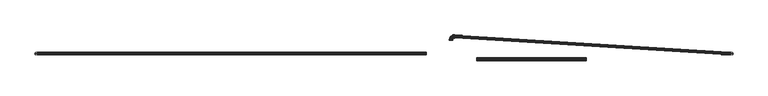
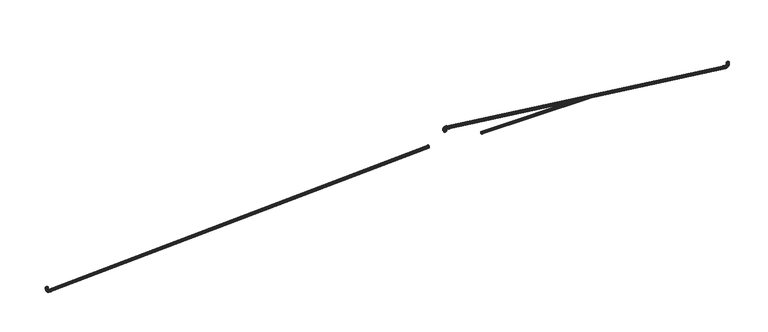
"""IFC4 building model written with IfcOpenShell, lengths in millimetres: furniture geometry."""

from ifc_helpers import new_model, si_unit, origin, place, context, project, spatial, triangles, source, transform, mapped, element, save


def furniture_5d9157ea(model_context):
    return source(origin(), model_context, "Body", "Tessellation", [
        triangles([(301.0177454, -21.7909482, -42.3306057), (301.0197075, -21.4893269, -43.8469512), (632.0744276, -21.4893269, -43.8344656), (632.0752996, -21.7909482, -42.3183154), (301.0213789, -20.6303882, -45.1324423), (632.0741369, -20.6303882, -45.1197977), (301.0224871, -19.3448925, -45.9913833), (632.0742823, -19.3448925, -45.9786252), (301.0228868, -17.828547, -46.2930046), (632.075445, -17.828547, -46.2802056), (301.0224871, -16.3122027, -45.9913833), (632.0742823, -16.3122027, -45.9786252), (301.0213789, -15.026707, -45.1324423), (632.0741369, -15.026707, -45.1197977), (301.0197075, -14.1677671, -43.8469512), (632.0744276, -14.1677671, -43.8344656), (301.0177454, -13.8661469, -42.3306057), (632.0752996, -13.8661469, -42.3183154), (301.0157833, -14.1677671, -40.8142647), (632.075663, -14.1677671, -40.8021652), (301.0141119, -15.026707, -39.5287691), (632.0768984, -15.026707, -39.5168376), (301.0129855, -16.3122027, -38.669828), (632.075227, -16.3122027, -38.6580055), (301.012604, -17.828547, -38.3682113), (632.075227, -17.828547, -38.3564251), (301.0129855, -19.3448925, -38.669828), (632.075227, -19.3448925, -38.6580055), (301.0141119, -20.6303882, -39.5287691), (632.0768984, -20.6303882, -39.5168376), (301.0157833, -21.4893269, -40.8142647), (632.075663, -21.4893269, -40.8021652), (148.6147114, 3.153083, -43.8434085), (148.6127403, 2.8514631, -45.3597495), (-1019.2878565, 2.8514631, -106.4454649), (-1019.1365576, 3.153083, -104.9293147), (148.6110779, 1.9925228, -46.6452451), (-1019.416119, 1.9925228, -107.7307971), (148.6099606, 0.7070277, -47.5041816), (-1019.5018696, 0.7070277, -108.5896291), (148.60957, -0.8093172, -47.8058029), (-1019.531955, -0.8093172, -108.8912095), (148.6099606, -2.325662, -47.5041816), (-1019.5018696, -2.325662, -108.5896291), (148.6110779, -3.6111571, -46.6452451), (-1019.416119, -3.6111571, -107.7307971), (148.6127403, -4.4700973, -45.3597495), (-1019.2878565, -4.4700973, -106.4454649), (148.6147114, -4.7717172, -43.8434085), (-1019.1365576, -4.7717172, -104.9293147), (148.6166735, -4.4700973, -42.327063), (-1018.9852587, -4.4700973, -103.4131645), (148.6183449, -3.6111571, -41.0415674), (-1018.8569235, -3.6111571, -102.1278414), (148.6194622, -2.325662, -40.1826309), (-1018.7712456, -2.325662, -101.2690094), (148.6198528, -0.8093172, -39.8810096), (-1018.7411602, -0.8093172, -100.967429), (148.6194622, 0.7070277, -40.1826309), (-1018.7712456, 0.7070277, -101.2690094), (148.6183449, 1.9925228, -41.0415674), (-1018.8569235, 1.9925228, -102.1278414), (148.6166735, 2.8514631, -42.327063), (-1018.9852587, 2.8514631, -103.4131645), (-1022.8882908, 2.8514631, -105.7244424), (-1022.294795, 3.153083, -104.2968406), (-1023.3913851, 1.9925228, -106.9346974), (-1023.7276291, 0.7070277, -107.743369), (-1023.8456451, -0.8093172, -108.027336), (-1023.7276291, -2.325662, -107.743369), (-1023.3913851, -3.6111571, -106.9346974), (-1022.8882908, -4.4700973, -105.7244424), (-1022.294795, -4.7717172, -104.2968406), (-1021.7012993, -4.4700973, -102.8692479), (-1021.1981323, -3.6111571, -101.6589929), (-1020.861961, -2.325662, -100.8503213), (-1020.7438723, -0.8093172, -100.5663543), (-1020.861961, 0.7070277, -100.8503213), (-1021.1981323, 1.9925228, -101.6589929), (-1021.7012993, 2.8514631, -102.8692479), (-1026.0652044, 2.8514631, -103.5957115), (-1024.9705765, 3.153083, -102.5039086), (-1026.9932001, 1.9925228, -104.5213), (-1027.6132931, 0.7070277, -105.1397579), (-1027.8310123, -0.8093172, -105.3569321), (-1027.6132931, -2.325662, -105.1397579), (-1026.9932001, -3.6111571, -104.5213), (-1026.0652044, -4.4700973, -103.5957115), (-1024.9705765, -4.7717172, -102.5039086), (-1023.8759485, -4.4700973, -101.4121057), (-1022.9479528, -3.6111571, -100.4865172), (-1022.3278599, -2.325662, -99.8680593), (-1022.1101406, -0.8093172, -99.6508851), (-1022.3278599, 0.7070277, -99.8680593), (-1022.9479528, 1.9925228, -100.4865172), (-1023.8759485, 2.8514631, -101.4121057), (-1028.1857145, 2.8514631, -100.413275), (-1026.756514, 3.153083, -99.8234763), (-1029.3972685, 1.9925228, -100.9132717), (-1030.2068121, 0.7070277, -101.2473719), (-1030.4910244, -0.8093172, -101.3646885), (-1030.2068121, -2.325662, -101.2473719), (-1029.3972685, -3.6111571, -100.9132717), (-1028.1857145, -4.4700973, -100.413275), (-1026.756514, -4.7717172, -99.8234763), (-1025.3273861, -4.4700973, -99.2336867), (-1024.1158321, -3.6111571, -98.7336809), (-1023.3062885, -2.325662, -98.3995897), (-1023.0220762, -0.8093172, -98.2822731), (-1023.3062885, 0.7070277, -98.3995897), (-1024.1158321, 1.9925228, -98.7336809), (-1025.3273861, 2.8514631, -99.2336867), (-1028.8973717, 2.8514631, -96.8109967), (-1027.3808218, 3.153083, -96.6636128), (-1030.183049, 1.9925228, -96.9359345), (-1031.0420809, 0.7070277, -97.0194142), (-1031.343734, -0.8093172, -97.0487365), (-1031.0420809, -2.325662, -97.0194142), (-1030.183049, -3.6111571, -96.9359345), (-1028.8973717, -4.4700973, -96.8109967), (-1027.3808218, -4.7717172, -96.6636128), (-1025.8642719, -4.4700973, -96.5162381), (-1024.5785946, -3.6111571, -96.3912912), (-1023.7195627, -2.325662, -96.3078115), (-1023.4179096, -0.8093172, -96.2784892), (-1023.7195627, 0.7070277, -96.3078115), (-1024.5785946, 1.9925228, -96.3912912), (-1025.8642719, 2.8514631, -96.5162381), (-1028.8749166, 2.8514631, -91.7647022), (-1027.3585848, 3.153083, -91.7666734), (-1030.1604486, 1.9925228, -91.7630399), (-1031.0193352, 0.7070277, -91.7619226), (-1031.3209883, -0.8093172, -91.761532), (-1031.0193352, -2.325662, -91.7619226), (-1030.1604486, -3.6111571, -91.7630399), (-1028.8749166, -4.4700973, -91.7647022), (-1027.3585848, -4.7717172, -91.7666734), (-1025.8422529, -4.4700973, -91.7686355), (-1024.5567209, -3.6111571, -91.7703069), (-1023.6978344, -2.325662, -91.7714242), (-1023.3961813, -0.8093172, -91.7718148), (-1023.6978344, 0.7070277, -91.7714242), (-1024.5567209, 1.9925228, -91.7703069), (-1025.8422529, 2.8514631, -91.7686355), (235.3589988, 46.7389531, -43.4736046), (235.3609609, 47.0405744, -44.9899501), (1062.3566666, -4.4700973, -106.4454649), (1062.2053677, -4.7717172, -104.9293147), (235.3626323, 47.8995154, -46.2754457), (1062.4850018, -3.6111571, -107.7307971), (235.3637405, 49.1850111, -47.1343822), (1062.5706797, -2.325662, -108.5896291), (235.3641402, 50.7013566, -47.4360035), (1062.600765, -0.8093172, -108.8912095), (235.3637405, 52.217702, -47.1343822), (1062.5706797, 0.7070277, -108.5896291), (235.3626323, 53.5031932, -46.2754457), (1062.4850018, 1.9925228, -107.7307971), (235.3609609, 54.3621342, -44.9899501), (1062.3566666, 2.8514631, -106.4454649), (235.3589988, 54.6637555, -43.4736046), (1062.2053677, 3.153083, -104.9293147), (235.3570367, 54.3621342, -41.9572636), (1062.0540688, 2.8514631, -103.4131645), (235.3553653, 53.5031932, -40.671768), (1061.9258062, 1.9925228, -102.1278414), (235.3542571, 52.217702, -39.8128315), (1061.8400557, 0.7070277, -101.2690094), (235.3538574, 50.7013566, -39.5112102), (1061.8099703, -0.8093172, -100.967429), (235.3542571, 49.1850111, -39.8128315), (1061.8400557, -2.325662, -101.2690094), (235.3553653, 47.8995154, -40.671768), (1061.9258062, -3.6111571, -102.1278414), (235.3570367, 47.0405744, -41.9572636), (1062.0540688, -4.4700973, -103.4131645), (1065.9571009, -4.4700973, -105.7244424), (1065.3636051, -4.7717172, -104.2968406), (1066.4602678, -3.6111571, -106.9346974), (1066.7964392, -2.325662, -107.743369), (1066.9145279, -0.8093172, -108.027336), (1066.7964392, 0.7070277, -107.743369), (1066.4602678, 1.9925228, -106.9346974), (1065.9571009, 2.8514631, -105.7244424), (1065.3636051, 3.153083, -104.2968406), (1064.7701094, 2.8514631, -102.8692479), (1064.2669424, 1.9925228, -101.6589929), (1063.9307711, 0.7070277, -100.8503213), (1063.812755, -0.8093172, -100.5663543), (1063.9307711, -2.325662, -100.8503213), (1064.2669424, -3.6111571, -101.6589929), (1064.7701094, -4.4700973, -102.8692479), (1069.1340145, -4.4700973, -103.5957115), (1068.0393866, -4.7717172, -102.5039086), (1070.0620102, -3.6111571, -104.5213), (1070.6821032, -2.325662, -105.1397579), (1070.8998224, -0.8093172, -105.3569321), (1070.6821032, 0.7070277, -105.1397579), (1070.0620102, 1.9925228, -104.5213), (1069.1340145, 2.8514631, -103.5957115), (1068.0393866, 3.153083, -102.5039086), (1066.9447586, 2.8514631, -101.4121057), (1066.0167629, 1.9925228, -100.4865172), (1065.3967426, 0.7070277, -99.8680593), (1065.1789507, -0.8093172, -99.6508851), (1065.3967426, -2.325662, -99.8680593), (1066.0167629, -3.6111571, -100.4865172), (1066.9447586, -4.4700973, -101.4121057), (1071.2545246, -4.4700973, -100.413275), (1069.8253967, -4.7717172, -99.8234763), (1072.4660786, -3.6111571, -100.9132717), (1073.2756222, -2.325662, -101.2473719), (1073.5599072, -0.8093172, -101.3646885), (1073.2756222, 0.7070277, -101.2473719), (1072.4660786, 1.9925228, -100.9132717), (1071.2545246, 2.8514631, -100.413275), (1069.8253967, 3.153083, -99.8234763), (1068.3962688, 2.8514631, -99.2336867), (1067.1847149, 1.9925228, -98.7336809), (1066.3751713, 0.7070277, -98.3995897), (1066.0908863, -0.8093172, -98.2822731), (1066.3751713, -2.325662, -98.3995897), (1067.1847149, -3.6111571, -98.7336809), (1068.3962688, -4.4700973, -99.2336867), (1071.9661818, -4.4700973, -96.8109967), (1070.4496319, -4.7717172, -96.6636128), (1073.2518591, -3.6111571, -96.9359345), (1074.110891, -2.325662, -97.0194142), (1074.4125441, -0.8093172, -97.0487365), (1074.110891, 0.7070277, -97.0194142), (1073.2518591, 1.9925228, -96.9359345), (1071.9661818, 2.8514631, -96.8109967), (1070.4496319, 3.153083, -96.6636128), (1068.9331547, 2.8514631, -96.5162381), (1067.6474773, 1.9925228, -96.3912912), (1066.7884455, 0.7070277, -96.3078115), (1066.4867924, -0.8093172, -96.2784892), (1066.7884455, -2.325662, -96.3078115), (1067.6474773, -3.6111571, -96.3912912), (1068.9331547, -4.4700973, -96.5162381), (1071.9437994, -4.4700973, -91.7647022), (1070.4273949, -4.7717172, -91.7666734), (1073.2292587, -3.6111571, -91.7630399), (1074.0882179, -2.325662, -91.7619226), (1074.3897984, -0.8093172, -91.761532), (1074.0882179, 0.7070277, -91.7619226), (1073.2292587, 1.9925228, -91.7630399), (1071.9437994, 2.8514631, -91.7647022), (1070.4273949, 3.153083, -91.7666734), (1068.911063, 2.8514631, -91.7686355), (1067.6256037, 1.9925228, -91.7703069), (1066.7666445, 0.7070277, -91.7714242), (1066.4649914, -0.8093172, -91.7718148), (1066.7666445, -2.325662, -91.7714242), (1067.6256037, -3.6111571, -91.7703069), (1068.911063, -4.4700973, -91.7686355), (235.408378, 50.9446965, -38.7889296), (235.4060163, 52.7643075, -39.1508761), (233.1926521, 52.7493284, -39.1508761), (233.374218, 50.9299491, -38.7889296), (235.4040178, 54.3069005, -40.1816044), (233.0387189, 54.2917215, -40.1816044), (235.4026734, 55.3376288, -41.7241974), (232.9358545, 55.3223181, -41.7241974), (235.4022192, 55.6995707, -43.5438129), (232.8997375, 55.6842147, -43.5438129), (235.4026734, 55.3376288, -45.3634238), (232.9358545, 55.3223181, -45.3634238), (235.4040178, 54.3069005, -46.9060214), (233.0387189, 54.2917215, -46.9060214), (235.4060163, 52.7643075, -47.9367497), (233.1926521, 52.7493284, -47.9367497), (235.408378, 50.9446965, -48.2986916), (233.374218, 50.9299491, -48.2986916), (235.4107398, 49.125081, -47.9367497), (233.5558022, 49.1105698, -47.9367497), (235.4127382, 47.5824926, -46.9060214), (233.7097353, 47.5681721, -46.9060214), (235.4140826, 46.5517643, -45.3634238), (233.8125997, 46.5375755, -45.3634238), (235.414555, 46.1898178, -43.5438129), (233.8487167, 46.1756789, -43.5438129), (235.4140826, 46.5517643, -41.7241974), (233.8125997, 46.5375755, -41.7241974), (235.4127382, 47.5824926, -40.1816044), (233.7097353, 47.5681721, -40.1816044), (235.4107398, 49.125081, -39.1508761), (233.5558022, 49.1105698, -39.1508761), (228.8721491, 51.8840969, -39.1508761), (229.5843513, 50.1709792, -38.7889296), (228.2683705, 53.3364065, -40.1816044), (227.8649431, 54.3068096, -41.7241974), (227.723273, 54.6475683, -43.5438129), (227.8649431, 54.3068096, -45.3634238), (228.2683705, 53.3364065, -46.9060214), (228.8721491, 51.8840969, -47.9367497), (229.5843513, 50.1709792, -48.2986916), (230.2965534, 48.4578661, -47.9367497), (230.9003138, 47.0055565, -46.9060214), (231.3037594, 46.0351534, -45.3634238), (231.4454113, 45.6943947, -43.5438129), (231.3037594, 46.0351534, -41.7241974), (230.9003138, 47.0055565, -40.1816044), (230.2965534, 48.4578661, -39.1508761), (225.0598273, 49.3296289, -39.1508761), (226.3733917, 48.0194618, -38.7889296), (223.9462325, 50.4403305, -40.1816044), (223.2021645, 51.1824818, -41.7241974), (222.9408796, 51.44309, -43.5438129), (223.2021645, 51.1824818, -45.3634238), (223.9462325, 50.4403305, -46.9060214), (225.0598273, 49.3296289, -47.9367497), (226.3733917, 48.0194618, -48.2986916), (227.6869743, 46.7092946, -47.9367497), (228.800551, 45.598593, -46.9060214), (229.5446371, 44.8564417, -45.3634238), (229.805922, 44.5958335, -43.5438129), (229.5446371, 44.8564417, -41.7241974), (228.800551, 45.598593, -40.1816044), (227.6869743, 46.7092946, -39.1508761), (222.5152515, 45.5106941, -39.1508761), (224.2302268, 44.8029384, -38.7889296), (221.0613795, 46.1106984, -40.1816044), (220.0899453, 46.5116096, -41.7241974), (219.7488142, 46.6523895, -43.5438129), (220.0899453, 46.5116096, -45.3634238), (221.0613795, 46.1106984, -46.9060214), (222.5152515, 45.5106941, -47.9367497), (224.2302268, 44.8029384, -48.2986916), (225.9451838, 44.0951873, -47.9367497), (227.3990559, 43.495183, -46.9060214), (228.37049, 43.0942718, -45.3634238), (228.7116211, 42.9534919, -43.5438129), (228.37049, 43.0942718, -41.7241974), (227.3990559, 43.495183, -40.1816044), (225.9451838, 44.0951873, -39.1508761), (221.661252, 41.1879565, -39.1508761), (223.4810901, 41.011105, -38.7889296), (220.1184501, 41.3378883, -40.1816044), (219.0875901, 41.4380684, -41.7241974), (218.7256027, 41.4732498, -43.5438129), (219.0875901, 41.4380684, -45.3634238), (220.1184501, 41.3378883, -46.9060214), (221.661252, 41.1879565, -47.9367497), (223.4810901, 41.011105, -48.2986916), (225.3009281, 40.834249, -47.9367497), (226.84373, 40.6843172, -46.9060214), (227.8745901, 40.5841371, -45.3634238), (228.2365774, 40.5489603, -43.5438129), (227.8745901, 40.5841371, -41.7241974), (226.84373, 40.6843172, -40.1816044), (225.3009281, 40.834249, -39.1508761), (221.6881763, 39.3699988, -39.1508761), (223.5077781, 39.3723606, -38.7889296), (220.1455742, 39.3680004, -40.1816044), (219.1148413, 39.3666605, -41.7241974), (218.7529085, 39.3661927, -43.5438129), (219.1148413, 39.3666605, -45.3634238), (220.1455742, 39.3680004, -46.9060214), (221.6881763, 39.3699988, -47.9367497), (223.5077781, 39.3723606, -48.2986916), (225.3273982, 39.3747223, -47.9367497), (226.8699821, 39.3767253, -46.9060214), (227.9007149, 39.3780606, -45.3634238), (228.2626659, 39.3785284, -43.5438129), (227.9007149, 39.3780606, -41.7241974), (226.8699821, 39.3767253, -40.1816044), (225.3273982, 39.3747223, -39.1508761)], [[1, 2, 3], [1, 3, 4], [2, 5, 6], [2, 6, 3], [5, 7, 8], [5, 8, 6], [7, 9, 10], [7, 10, 8], [9, 11, 12], [9, 12, 10], [11, 13, 14], [11, 14, 12], [13, 15, 16], [13, 16, 14], [15, 17, 18], [15, 18, 16], [17, 19, 20], [17, 20, 18], [19, 21, 22], [19, 22, 20], [21, 23, 24], [21, 24, 22], [23, 25, 26], [23, 26, 24], [25, 27, 28], [25, 28, 26], [27, 29, 30], [27, 30, 28], [29, 31, 32], [29, 32, 30], [31, 1, 4], [31, 4, 32], [33, 34, 35], [33, 35, 36], [34, 37, 38], [34, 38, 35], [37, 39, 40], [37, 40, 38], [39, 41, 42], [39, 42, 40], [41, 43, 44], [41, 44, 42], [43, 45, 46], [43, 46, 44], [45, 47, 48], [45, 48, 46], [47, 49, 50], [47, 50, 48], [49, 51, 52], [49, 52, 50], [51, 53, 54], [51, 54, 52], [53, 55, 56], [53, 56, 54], [55, 57, 58], [55, 58, 56], [57, 59, 60], [57, 60, 58], [59, 61, 62], [59, 62, 60], [61, 63, 64], [61, 64, 62], [63, 33, 36], [63, 36, 64], [65, 66, 36], [65, 36, 35], [67, 65, 35], [67, 35, 38], [68, 67, 38], [68, 38, 40], [69, 68, 40], [69, 40, 42], [70, 69, 44], [69, 42, 44], [71, 70, 46], [70, 44, 46], [72, 71, 48], [71, 46, 48], [73, 72, 50], [72, 48, 50], [74, 73, 52], [73, 50, 52], [75, 74, 54], [74, 52, 54], [76, 75, 56], [75, 54, 56], [77, 76, 58], [76, 56, 58], [78, 77, 58], [78, 58, 60], [79, 78, 60], [79, 60, 62], [80, 79, 62], [80, 62, 64], [66, 80, 64], [66, 64, 36], [81, 82, 66], [81, 66, 65], [83, 81, 65], [83, 65, 67], [84, 83, 67], [84, 67, 68], [85, 84, 68], [85, 68, 69], [86, 85, 70], [85, 69, 70], [87, 86, 70], [87, 70, 71], [88, 87, 71], [88, 71, 72], [89, 88, 72], [89, 72, 73], [90, 89, 73], [90, 73, 74], [91, 90, 74], [91, 74, 75], [92, 91, 76], [91, 75, 76], [93, 92, 77], [92, 76, 77], [94, 93, 77], [94, 77, 78], [95, 94, 78], [95, 78, 79], [96, 95, 79], [96, 79, 80], [82, 96, 80], [82, 80, 66], [97, 98, 82], [97, 82, 81], [99, 97, 81], [99, 81, 83], [100, 99, 83], [100, 83, 84], [101, 100, 84], [101, 84, 85], [102, 101, 85], [102, 85, 86], [103, 102, 86], [103, 86, 87], [104, 103, 87], [104, 87, 88], [105, 104, 88], [105, 88, 89], [106, 105, 89], [106, 89, 90], [107, 106, 90], [107, 90, 91], [108, 107, 91], [108, 91, 92], [109, 108, 93], [108, 92, 93], [110, 109, 93], [110, 93, 94], [111, 110, 94], [111, 94, 95], [112, 111, 95], [112, 95, 96], [98, 112, 96], [98, 96, 82], [113, 114, 98], [113, 98, 97], [115, 113, 97], [115, 97, 99], [116, 115, 99], [116, 99, 100], [117, 116, 100], [117, 100, 101], [118, 117, 101], [118, 101, 102], [119, 118, 102], [119, 102, 103], [120, 119, 103], [120, 103, 104], [121, 120, 104], [121, 104, 105], [122, 121, 105], [122, 105, 106], [123, 122, 106], [123, 106, 107], [124, 123, 107], [124, 107, 108], [125, 124, 108], [125, 108, 109], [126, 125, 109], [126, 109, 110], [127, 126, 110], [127, 110, 111], [128, 127, 111], [128, 111, 112], [114, 128, 112], [114, 112, 98], [129, 130, 114], [129, 114, 113], [131, 129, 113], [131, 113, 115], [132, 131, 115], [132, 115, 116], [133, 132, 117], [132, 116, 117], [134, 133, 117], [134, 117, 118], [135, 134, 118], [135, 118, 119], [136, 135, 119], [136, 119, 120], [137, 136, 120], [137, 120, 121], [138, 137, 121], [138, 121, 122], [139, 138, 122], [139, 122, 123], [140, 139, 123], [140, 123, 124], [141, 140, 124], [141, 124, 125], [142, 141, 125], [142, 125, 126], [143, 142, 126], [143, 126, 127], [144, 143, 127], [144, 127, 128], [130, 144, 128], [130, 128, 114], [145, 146, 147], [145, 147, 148], [146, 149, 150], [146, 150, 147], [149, 151, 152], [149, 152, 150], [151, 153, 154], [151, 154, 152], [153, 155, 156], [153, 156, 154], [155, 157, 158], [155, 158, 156], [157, 159, 160], [157, 160, 158], [159, 161, 162], [159, 162, 160], [161, 163, 164], [161, 164, 162], [163, 165, 166], [163, 166, 164], [165, 167, 168], [165, 168, 166], [167, 169, 170], [167, 170, 168], [169, 171, 172], [169, 172, 170], [171, 173, 174], [171, 174, 172], [173, 175, 176], [173, 176, 174], [175, 145, 148], [175, 148, 176], [177, 178, 148], [177, 148, 147], [179, 177, 147], [179, 147, 150], [180, 179, 150], [180, 150, 152], [181, 180, 152], [181, 152, 154], [182, 181, 156], [181, 154, 156], [183, 182, 158], [182, 156, 158], [184, 183, 160], [183, 158, 160], [185, 184, 162], [184, 160, 162], [186, 185, 164], [185, 162, 164], [187, 186, 166], [186, 164, 166], [188, 187, 168], [187, 166, 168], [189, 188, 170], [188, 168, 170], [190, 189, 170], [190, 170, 172], [191, 190, 172], [191, 172, 174], [192, 191, 174], [192, 174, 176], [178, 192, 176], [178, 176, 148], [193, 194, 178], [193, 178, 177], [195, 193, 177], [195, 177, 179], [196, 195, 179], [196, 179, 180], [197, 196, 180], [197, 180, 181], [198, 197, 182], [197, 181, 182], [199, 198, 182], [199, 182, 183], [200, 199, 183], [200, 183, 184], [201, 200, 184], [201, 184, 185], [202, 201, 185], [202, 185, 186], [203, 202, 186], [203, 186, 187], [204, 203, 188], [203, 187, 188], [205, 204, 189], [204, 188, 189], [206, 205, 189], [206, 189, 190], [207, 206, 190], [207, 190, 191], [208, 207, 191], [208, 191, 192], [194, 208, 192], [194, 192, 178], [209, 210, 194], [209, 194, 193], [211, 209, 193], [211, 193, 195], [212, 211, 195], [212, 195, 196], [213, 212, 196], [213, 196, 197], [214, 213, 197], [214, 197, 198], [215, 214, 198], [215, 198, 199], [216, 215, 199], [216, 199, 200], [217, 216, 200], [217, 200, 201], [218, 217, 201], [218, 201, 202], [219, 218, 202], [219, 202, 203], [220, 219, 203], [220, 203, 204], [221, 220, 205], [220, 204, 205], [222, 221, 205], [222, 205, 206], [223, 222, 206], [223, 206, 207], [224, 223, 207], [224, 207, 208], [210, 224, 208], [210, 208, 194], [225, 226, 210], [225, 210, 209], [227, 225, 209], [227, 209, 211], [228, 227, 211], [228, 211, 212], [229, 228, 212], [229, 212, 213], [230, 229, 213], [230, 213, 214], [231, 230, 214], [231, 214, 215], [232, 231, 215], [232, 215, 216], [233, 232, 216], [233, 216, 217], [234, 233, 217], [234, 217, 218], [235, 234, 218], [235, 218, 219], [236, 235, 219], [236, 219, 220], [237, 236, 220], [237, 220, 221], [238, 237, 221], [238, 221, 222], [239, 238, 222], [239, 222, 223], [240, 239, 223], [240, 223, 224], [226, 240, 224], [226, 224, 210], [241, 242, 226], [241, 226, 225], [243, 241, 225], [243, 225, 227], [244, 243, 227], [244, 227, 228], [245, 244, 229], [244, 228, 229], [246, 245, 229], [246, 229, 230], [247, 246, 230], [247, 230, 231], [248, 247, 231], [248, 231, 232], [249, 248, 232], [249, 232, 233], [250, 249, 233], [250, 233, 234], [251, 250, 234], [251, 234, 235], [252, 251, 235], [252, 235, 236], [253, 252, 236], [253, 236, 237], [254, 253, 237], [254, 237, 238], [255, 254, 238], [255, 238, 239], [256, 255, 239], [256, 239, 240], [242, 256, 240], [242, 240, 226], [257, 258, 259], [257, 259, 260], [258, 261, 262], [258, 262, 259], [261, 263, 264], [261, 264, 262], [263, 265, 266], [263, 266, 264], [265, 267, 268], [265, 268, 266], [267, 269, 270], [267, 270, 268], [269, 271, 272], [269, 272, 270], [271, 273, 274], [271, 274, 272], [273, 275, 276], [273, 276, 274], [275, 277, 278], [275, 278, 276], [277, 279, 280], [277, 280, 278], [279, 281, 282], [279, 282, 280], [281, 283, 284], [281, 284, 282], [283, 285, 286], [283, 286, 284], [285, 287, 288], [285, 288, 286], [287, 257, 260], [287, 260, 288], [289, 290, 260], [289, 260, 259], [291, 289, 259], [291, 259, 262], [292, 291, 262], [292, 262, 264], [293, 292, 264], [293, 264, 266], [294, 293, 266], [294, 266, 268], [295, 294, 268], [295, 268, 270], [296, 295, 270], [296, 270, 272], [297, 296, 272], [297, 272, 274], [298, 297, 274], [298, 274, 276], [299, 298, 276], [299, 276, 278], [300, 299, 278], [300, 278, 280], [301, 300, 280], [301, 280, 282], [302, 301, 282], [302, 282, 284], [303, 302, 284], [303, 284, 286], [304, 303, 286], [304, 286, 288], [290, 304, 288], [290, 288, 260], [305, 306, 290], [305, 290, 289], [307, 305, 289], [307, 289, 291], [308, 307, 291], [308, 291, 292], [309, 308, 292], [309, 292, 293], [310, 309, 293], [310, 293, 294], [311, 310, 295], [310, 294, 295], [312, 311, 296], [311, 295, 296], [313, 312, 297], [312, 296, 297], [314, 313, 297], [314, 297, 298], [315, 314, 298], [315, 298, 299], [316, 315, 299], [316, 299, 300], [317, 316, 300], [317, 300, 301], [318, 317, 301], [318, 301, 302], [319, 318, 302], [319, 302, 303], [320, 319, 303], [320, 303, 304], [306, 320, 304], [306, 304, 290], [321, 322, 306], [321, 306, 305], [323, 321, 305], [323, 305, 307], [324, 323, 307], [324, 307, 308], [325, 324, 308], [325, 308, 309], [326, 325, 310], [325, 309, 310], [327, 326, 311], [326, 310, 311], [328, 327, 312], [327, 311, 312], [329, 328, 313], [328, 312, 313], [330, 329, 314], [329, 313, 314], [331, 330, 315], [330, 314, 315], [332, 331, 315], [332, 315, 316], [333, 332, 316], [333, 316, 317], [334, 333, 317], [334, 317, 318], [335, 334, 318], [335, 318, 319], [336, 335, 319], [336, 319, 320], [322, 336, 320], [322, 320, 306], [337, 338, 322], [337, 322, 321], [339, 337, 321], [339, 321, 323], [340, 339, 323], [340, 323, 324], [341, 340, 324], [341, 324, 325], [342, 341, 326], [341, 325, 326], [343, 342, 327], [342, 326, 327], [344, 343, 328], [343, 327, 328], [345, 344, 329], [344, 328, 329], [346, 345, 330], [345, 329, 330], [347, 346, 331], [346, 330, 331], [348, 347, 332], [347, 331, 332], [349, 348, 332], [349, 332, 333], [350, 349, 333], [350, 333, 334], [351, 350, 334], [351, 334, 335], [352, 351, 335], [352, 335, 336], [338, 352, 336], [338, 336, 322], [353, 354, 338], [353, 338, 337], [355, 353, 337], [355, 337, 339], [356, 355, 339], [356, 339, 340], [357, 356, 340], [357, 340, 341], [358, 357, 341], [358, 341, 342], [359, 358, 342], [359, 342, 343], [360, 359, 343], [360, 343, 344], [361, 360, 344], [361, 344, 345], [362, 361, 345], [362, 345, 346], [363, 362, 346], [363, 346, 347], [364, 363, 347], [364, 347, 348], [365, 364, 348], [365, 348, 349], [366, 365, 349], [366, 349, 350], [367, 366, 350], [367, 350, 351], [368, 367, 351], [368, 351, 352], [354, 368, 352], [354, 352, 338]], closed=False),
    ])


if __name__ == "__main__":
    model = new_model("IFC4")
    model_context = context("Model", 3, world=origin())
    ifc_project = project(units=[si_unit("LENGTHUNIT", "METRE", prefix="MILLI")], contexts=[model_context])
    site = spatial("IfcSite", under=ifc_project)
    building = spatial("IfcBuilding", under=site)
    placement = place(None, origin())
    furniture_shape = furniture_5d9157ea(model_context)
    element("IfcFurniture", 1, at=placement, inside=building, context=model_context, shape_type="MappedRepresentation", body=[
        mapped(furniture_shape, transform((0.0, 0.0, 0.0), x_axis=(1.0, 0.0, 0.0), y_axis=(0.0, 1.0, 0.0), z_axis=(0.0, 0.0, 1.0))),
    ])
    save(model, "model.ifc")
